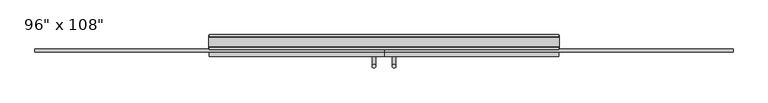
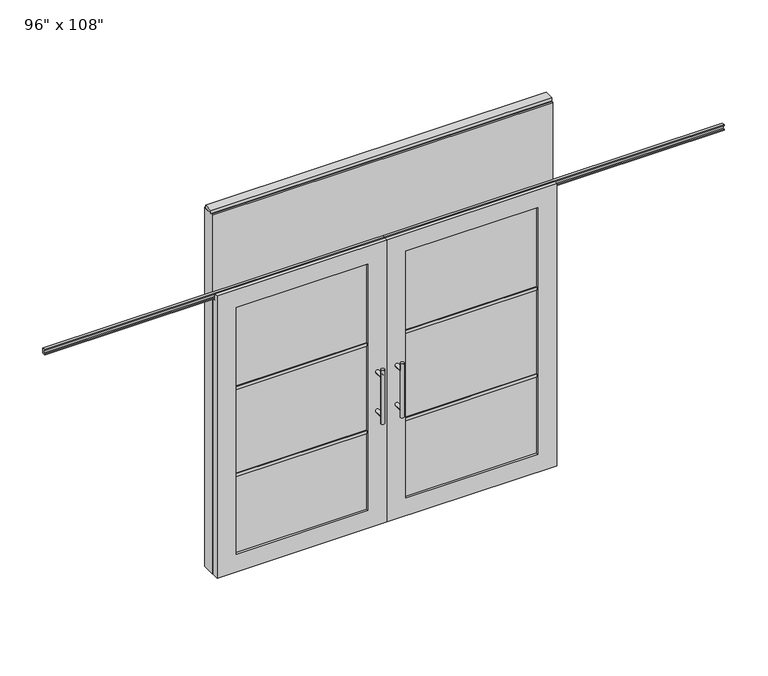
"""IFC4 building model written with IfcOpenShell, lengths in millimetres: furniture geometry."""

from ifc_helpers import new_model, si_unit, frame, origin, origin_with_axes, place, context, project, spatial, polyline, circle_curve, ellipse_curve, outline, extrude, faceted_brep, source, transform, mapped, element, save
from ifc_brep_helpers import plane_surface, cylinder_surface, advanced_brep


def furniture_3af1d5dd(model_context):
    return source(origin(), model_context, "Body", "SolidModel", [
        extrude(outline(polyline([(1155.2264771, 46.2822784), (1155.2264771, 33.5822784), (-1275.2995229, 33.5822784), (-1275.2995229, 46.2822784), (1155.2264771, 46.2822784)])), frame((0.0, 0.0, 2133.6), z_axis=(0.0, 0.0, 1.0), x_axis=(1.0, 0.0, 0.0)), (0.0, 0.0, 1.0), 584.2),
        extrude(outline(polyline([(1155.2264771, -55.3177216), (-1275.2995229, -55.3177216), (-1275.2995229, -42.6177216), (1155.2264771, -42.6177216), (1155.2264771, -55.3177216)])), frame((0.0, 0.0, 2133.6), z_axis=(0.0, 0.0, 1.0), x_axis=(1.0, 0.0, 0.0)), (0.0, 0.0, 1.0), 584.2),
        advanced_brep(
        [(-117.3135229, 5.8962784, 1219.2), (-142.7135229, 5.8962784, 1219.2), (-117.3135229, 5.8962784, 812.8), (-142.7135229, 5.8962784, 812.8), (-117.3135229, 5.8962784, 1164.336), (-117.3135229, 5.8962784, 867.664), (-142.7135229, 5.8962784, 867.664), (-142.7135229, 5.8962784, 1164.336), (-117.3135229, -61.6677216, 1164.336), (-142.7135229, -61.6677216, 1164.336), (-117.3135229, -61.6677216, 867.664), (-142.7135229, -61.6677216, 867.664)],
        [
            (0, 1, circle_curve(frame((-130.0135229, 5.8962784, 1219.2), z_axis=(0.0, 0.0, 1.0), x_axis=(-1.0, 0.0, 0.0)), 12.7)),
            (1, 0, circle_curve(frame((-130.0135229, 5.8962784, 1219.2), z_axis=(0.0, 0.0, 1.0), x_axis=(-1.0, 0.0, 0.0)), 12.7)),
            (2, 3, circle_curve(frame((-130.0135229, 5.8962784, 812.8), z_axis=(0.0, 0.0, -1.0), x_axis=(-1.0, 0.0, 0.0)), 12.7)),
            (3, 2, circle_curve(frame((-130.0135229, 5.8962784, 812.8), z_axis=(0.0, 0.0, -1.0), x_axis=(-1.0, 0.0, 0.0)), 12.7)),
            (0, 4),
            (4, 5),
            (5, 2),
            (3, 6),
            (6, 7),
            (7, 1),
            (7, 4, ellipse_curve(frame((-130.0135229, 5.8962784, 1164.336), z_axis=(0.0, 0.707106781186565, 0.70710678118653), x_axis=(0.0, -0.70710678118653, 0.707106781186565)), 17.9605122, 12.7)),
            (5, 6, ellipse_curve(frame((-130.0135229, 5.8962784, 867.664), z_axis=(0.0, 0.70710678118653, -0.7071067811865649), x_axis=(0.0, 0.7071067811865648, 0.7071067811865301)), 17.9605122, 12.7)),
            (4, 7, ellipse_curve(frame((-130.0135229, 5.8962784, 1164.336), z_axis=(0.0, 0.70710678118653, -0.7071067811865649), x_axis=(0.0, 0.7071067811865648, 0.7071067811865301)), 17.9605122, 12.7)),
            (6, 5, ellipse_curve(frame((-130.0135229, 5.8962784, 867.664), z_axis=(0.0, 0.707106781186565, 0.70710678118653), x_axis=(0.0, -0.70710678118653, 0.707106781186565)), 17.9605122, 12.7)),
            (8, 9, circle_curve(frame((-130.0135229, -61.6677216, 1164.336), z_axis=(0.0, -1.0, 0.0), x_axis=(-1.0, 0.0, 0.0)), 12.7)),
            (9, 8, circle_curve(frame((-130.0135229, -61.6677216, 1164.336), z_axis=(0.0, -1.0, 0.0), x_axis=(-1.0, 0.0, 0.0)), 12.7)),
            (9, 7),
            (4, 8),
            (10, 11, circle_curve(frame((-130.0135229, -61.6677216, 867.664), z_axis=(0.0, -1.0, 0.0), x_axis=(-1.0, 0.0, 0.0)), 12.7)),
            (11, 10, circle_curve(frame((-130.0135229, -61.6677216, 867.664), z_axis=(0.0, -1.0, 0.0), x_axis=(-1.0, 0.0, 0.0)), 12.7)),
            (11, 6),
            (5, 10),
        ],
        [
            plane_surface(frame((-142.7135229, 5.8962784, 1219.2), z_axis=(0.0, 0.0, 1.0), x_axis=(0.0, -1.0, 0.0))),
            plane_surface(frame((-142.7135229, 5.8962784, 812.8), z_axis=(0.0, 0.0, -1.0), x_axis=(0.0, 1.0, 0.0))),
            cylinder_surface(frame((-130.0135229, 5.8962784, 812.8), z_axis=(0.0, 0.0, 1.0), x_axis=(-1.0, 0.0, 0.0)), 12.7),
            plane_surface(frame((-142.7135229, -61.6677216, 1164.336), z_axis=(0.0, -1.0, 0.0), x_axis=(0.0, 0.0, -1.0))),
            cylinder_surface(frame((-130.0135229, -61.6677216, 1164.336), z_axis=(0.0, 1.0, 0.0), x_axis=(-1.0, 0.0, 0.0)), 12.7),
            plane_surface(frame((-142.7135229, -61.6677216, 867.664), z_axis=(0.0, -1.0, 0.0), x_axis=(0.0, 0.0, -1.0))),
            cylinder_surface(frame((-130.0135229, -61.6677216, 867.664), z_axis=(0.0, 1.0, 0.0), x_axis=(-1.0, 0.0, 0.0)), 12.7),
        ],
        [
            (0, [[1, 2]]),
            (1, [[3, 4]]),
            (2, [[-1, 5, 6, 7, -4, 8, 9, 10]]),
            (2, [[-2, -10, 11, -5]]),
            (2, [[-3, -7, 12, -8]]),
            (2, [[13, -9, 14, -6]]),
            (3, [[15, 16]]),
            (4, [[-16, 17, -13, 18]]),
            (4, [[-15, -18, -11, -17]]),
            (5, [[19, 20]]),
            (6, [[-20, 21, -12, 22]]),
            (6, [[-19, -22, -14, -21]]),
        ],
    ),
        advanced_brep(
        [(-117.3135229, -173.6817216, 1219.2), (-142.7135229, -173.6817216, 1219.2), (-117.3135229, -173.6817216, 812.8), (-142.7135229, -173.6817216, 812.8), (-142.7135229, -173.6817216, 1164.336), (-142.7135229, -173.6817216, 867.664), (-117.3135229, -173.6817216, 867.664), (-117.3135229, -173.6817216, 1164.336), (-117.3135229, -106.1177216, 1164.336), (-142.7135229, -106.1177216, 1164.336), (-117.3135229, -106.1177216, 867.664), (-142.7135229, -106.1177216, 867.664)],
        [
            (0, 1, circle_curve(frame((-130.0135229, -173.6817216, 1219.2), z_axis=(0.0, 0.0, 1.0), x_axis=(-1.0, 0.0, 0.0)), 12.7)),
            (1, 0, circle_curve(frame((-130.0135229, -173.6817216, 1219.2), z_axis=(0.0, 0.0, 1.0), x_axis=(-1.0, 0.0, 0.0)), 12.7)),
            (2, 3, circle_curve(frame((-130.0135229, -173.6817216, 812.8), z_axis=(0.0, 0.0, -1.0), x_axis=(-1.0, 0.0, 0.0)), 12.7)),
            (3, 2, circle_curve(frame((-130.0135229, -173.6817216, 812.8), z_axis=(0.0, 0.0, -1.0), x_axis=(-1.0, 0.0, 0.0)), 12.7)),
            (1, 4),
            (4, 5),
            (5, 3),
            (2, 6),
            (6, 7),
            (7, 0),
            (6, 5, ellipse_curve(frame((-130.0135229, -173.6817216, 867.664), z_axis=(0.0, -0.707106781186565, 0.70710678118653), x_axis=(0.0, 0.70710678118653, 0.707106781186565)), 17.9605122, 12.7)),
            (4, 7, ellipse_curve(frame((-130.0135229, -173.6817216, 1164.336), z_axis=(0.0, -0.70710678118653, -0.7071067811865649), x_axis=(0.0, -0.7071067811865648, 0.7071067811865301)), 17.9605122, 12.7)),
            (7, 4, ellipse_curve(frame((-130.0135229, -173.6817216, 1164.336), z_axis=(0.0, -0.707106781186565, 0.70710678118653), x_axis=(0.0, 0.70710678118653, 0.707106781186565)), 17.9605122, 12.7)),
            (5, 6, ellipse_curve(frame((-130.0135229, -173.6817216, 867.664), z_axis=(0.0, -0.70710678118653, -0.7071067811865649), x_axis=(0.0, -0.7071067811865648, 0.7071067811865301)), 17.9605122, 12.7)),
            (8, 9, circle_curve(frame((-130.0135229, -106.1177216, 1164.336), z_axis=(0.0, 1.0, 0.0), x_axis=(-1.0, 0.0, 0.0)), 12.7)),
            (9, 8, circle_curve(frame((-130.0135229, -106.1177216, 1164.336), z_axis=(0.0, 1.0, 0.0), x_axis=(-1.0, 0.0, 0.0)), 12.7)),
            (8, 7),
            (4, 9),
            (10, 11, circle_curve(frame((-130.0135229, -106.1177216, 867.664), z_axis=(0.0, 1.0, 0.0), x_axis=(-1.0, 0.0, 0.0)), 12.7)),
            (11, 10, circle_curve(frame((-130.0135229, -106.1177216, 867.664), z_axis=(0.0, 1.0, 0.0), x_axis=(-1.0, 0.0, 0.0)), 12.7)),
            (10, 6),
            (5, 11),
        ],
        [
            plane_surface(frame((-142.7135229, -173.6817216, 1219.2), z_axis=(0.0, 0.0, 1.0), x_axis=(0.0, 1.0, 0.0))),
            plane_surface(frame((-142.7135229, -173.6817216, 812.8), z_axis=(0.0, 0.0, -1.0), x_axis=(0.0, -1.0, 0.0))),
            cylinder_surface(frame((-130.0135229, -173.6817216, 812.8), z_axis=(0.0, 0.0, 1.0), x_axis=(-1.0, 0.0, 0.0)), 12.7),
            plane_surface(frame((-142.7135229, -106.1177216, 1164.336), z_axis=(0.0, 1.0, 0.0), x_axis=(0.0, 0.0, -1.0))),
            cylinder_surface(frame((-130.0135229, -106.1177216, 1164.336), z_axis=(0.0, -1.0, 0.0), x_axis=(-1.0, 0.0, 0.0)), 12.7),
            plane_surface(frame((-142.7135229, -106.1177216, 867.664), z_axis=(0.0, 1.0, 0.0), x_axis=(0.0, 0.0, -1.0))),
            cylinder_surface(frame((-130.0135229, -106.1177216, 867.664), z_axis=(0.0, -1.0, 0.0), x_axis=(-1.0, 0.0, 0.0)), 12.7),
        ],
        [
            (0, [[1, 2]]),
            (1, [[3, 4]]),
            (2, [[5, 6, 7, -3, 8, 9, 10, -2]]),
            (2, [[-9, 11, -6, 12]]),
            (2, [[-10, 13, -5, -1]]),
            (2, [[-7, 14, -8, -4]]),
            (3, [[15, 16]]),
            (4, [[17, -12, 18, -15]]),
            (4, [[-18, -13, -17, -16]]),
            (5, [[19, 20]]),
            (6, [[21, -14, 22, -19]]),
            (6, [[-22, -11, -21, -20]]),
        ],
    ),
        extrude(outline(polyline([(-196.0535229, -95.0052216), (-1139.2825229, -95.0052216), (-1139.2825229, -72.7802216), (-196.0535229, -72.7802216), (-196.0535229, -95.0052216)])), frame((0.0, 0.0, 1371.6), z_axis=(0.0, 0.0, 1.0), x_axis=(1.0, 0.0, 0.0)), (0.0, 0.0, 1.0), 22.225),
        extrude(outline(polyline([(-196.0535229, -95.0052216), (-1139.2825229, -95.0052216), (-1139.2825229, -72.7802216), (-196.0535229, -72.7802216), (-196.0535229, -95.0052216)])), frame((0.0, 0.0, 711.2), z_axis=(0.0, 0.0, 1.0), x_axis=(1.0, 0.0, 0.0)), (0.0, 0.0, 1.0), 22.225),
        extrude(outline(polyline([(-1139.2825229, -88.9727216), (-1139.2825229, -78.8127216), (-196.0535229, -78.8127216), (-196.0535229, -88.9727216), (-1139.2825229, -88.9727216)])), frame((0.0, 0.0, 132.969), z_axis=(0.0, 0.0, 1.0), x_axis=(1.0, 0.0, 0.0)), (0.0, 0.0, 1.0), 1867.662),
        extrude(outline(polyline([(-75.3837216, 2097.278), (-75.3837216, 2102.612), (-62.6837216, 2102.612), (-62.6837216, 2131.568), (-75.3837216, 2131.568), (-75.3837216, 2136.902), (-53.6667216, 2136.902), (-53.6667216, 2097.278), (-75.3837216, 2097.278)])), frame((-2490.5625229, 0.0, 0.0), z_axis=(1.0, 0.0, 0.0), x_axis=(0.0, 1.0, 0.0)), (0.0, 0.0, 1.0), 2430.526),
        faceted_brep([(-60.0365229, -106.1177216, 0.0), (-60.0365229, -106.1177216, 2133.6), (-1275.2995229, -106.1177216, 2133.6), (-1275.2995229, -106.1177216, 0.0), (-1139.2825229, -106.1177216, 2000.631), (-196.0535229, -106.1177216, 2000.631), (-196.0535229, -106.1177216, 132.969), (-1139.2825229, -106.1177216, 132.969), (-60.0365229, -78.6857216, 2133.6), (-60.0365229, -78.6857216, 2089.023), (-1275.2995229, -78.6857216, 2089.023), (-1275.2995229, -78.6857216, 2133.6), (-60.0365229, -61.6677216, 0.0), (-60.0365229, -61.6677216, 2089.023), (-1275.2995229, -61.6677216, 2089.023), (-1275.2995229, -61.6677216, 0.0), (-1139.2825229, -61.6677216, 2000.631), (-1139.2825229, -61.6677216, 132.969), (-196.0535229, -61.6677216, 132.969), (-196.0535229, -61.6677216, 2000.631)], [[[0, 1, 2, 3], [4, 5, 6, 7]], [[8, 9, 10, 11]], [[0, 12, 13, 9, 8, 1]], [[2, 11, 10, 14, 15, 3]], [[1, 8, 11, 2]], [[14, 13, 12, 15], [16, 17, 18, 19]], [[14, 10, 9, 13]], [[3, 15, 12, 0]], [[7, 17, 16, 4]], [[6, 18, 17, 7]], [[5, 19, 18, 6]], [[4, 16, 19, 5]]]),
        advanced_brep(
        [(-2.7595229, 5.8962784, 1219.2), (22.6404771, 5.8962784, 1219.2), (-2.7595229, 5.8962784, 812.8), (22.6404771, 5.8962784, 812.8), (22.6404771, 5.8962784, 1164.336), (22.6404771, 5.8962784, 867.664), (-2.7595229, 5.8962784, 867.664), (-2.7595229, 5.8962784, 1164.336), (-2.7595229, -61.6677216, 1164.336), (22.6404771, -61.6677216, 1164.336), (-2.7595229, -61.6677216, 867.664), (22.6404771, -61.6677216, 867.664)],
        [
            (0, 1, circle_curve(frame((9.9404771, 5.8962784, 1219.2), z_axis=(0.0, 0.0, 1.0), x_axis=(1.0, 0.0, 0.0)), 12.7)),
            (1, 0, circle_curve(frame((9.9404771, 5.8962784, 1219.2), z_axis=(0.0, 0.0, 1.0), x_axis=(1.0, 0.0, 0.0)), 12.7)),
            (2, 3, circle_curve(frame((9.9404771, 5.8962784, 812.8), z_axis=(0.0, 0.0, -1.0), x_axis=(1.0, 0.0, 0.0)), 12.7)),
            (3, 2, circle_curve(frame((9.9404771, 5.8962784, 812.8), z_axis=(0.0, 0.0, -1.0), x_axis=(1.0, 0.0, 0.0)), 12.7)),
            (1, 4),
            (4, 5),
            (5, 3),
            (2, 6),
            (6, 7),
            (7, 0),
            (6, 5, ellipse_curve(frame((9.9404771, 5.8962784, 867.664), z_axis=(0.0, 0.707106781186565, 0.70710678118653), x_axis=(0.0, -0.70710678118653, 0.707106781186565)), 17.9605122, 12.7)),
            (4, 7, ellipse_curve(frame((9.9404771, 5.8962784, 1164.336), z_axis=(0.0, 0.70710678118653, -0.7071067811865649), x_axis=(0.0, 0.7071067811865648, 0.7071067811865301)), 17.9605122, 12.7)),
            (7, 4, ellipse_curve(frame((9.9404771, 5.8962784, 1164.336), z_axis=(0.0, 0.707106781186565, 0.70710678118653), x_axis=(0.0, -0.70710678118653, 0.707106781186565)), 17.9605122, 12.7)),
            (5, 6, ellipse_curve(frame((9.9404771, 5.8962784, 867.664), z_axis=(0.0, 0.70710678118653, -0.7071067811865649), x_axis=(0.0, 0.7071067811865648, 0.7071067811865301)), 17.9605122, 12.7)),
            (8, 9, circle_curve(frame((9.9404771, -61.6677216, 1164.336), z_axis=(0.0, -1.0, 0.0), x_axis=(1.0, 0.0, 0.0)), 12.7)),
            (9, 8, circle_curve(frame((9.9404771, -61.6677216, 1164.336), z_axis=(0.0, -1.0, 0.0), x_axis=(1.0, 0.0, 0.0)), 12.7)),
            (8, 7),
            (4, 9),
            (10, 11, circle_curve(frame((9.9404771, -61.6677216, 867.664), z_axis=(0.0, -1.0, 0.0), x_axis=(1.0, 0.0, 0.0)), 12.7)),
            (11, 10, circle_curve(frame((9.9404771, -61.6677216, 867.664), z_axis=(0.0, -1.0, 0.0), x_axis=(1.0, 0.0, 0.0)), 12.7)),
            (10, 6),
            (5, 11),
        ],
        [
            plane_surface(frame((22.6404771, 5.8962784, 1219.2), z_axis=(0.0, 0.0, 1.0), x_axis=(0.0, -1.0, 0.0))),
            plane_surface(frame((22.6404771, 5.8962784, 812.8), z_axis=(0.0, 0.0, -1.0), x_axis=(0.0, 1.0, 0.0))),
            cylinder_surface(frame((9.9404771, 5.8962784, 812.8), z_axis=(0.0, 0.0, 1.0), x_axis=(1.0, 0.0, 0.0)), 12.7),
            plane_surface(frame((22.6404771, -61.6677216, 1164.336), z_axis=(0.0, -1.0, 0.0), x_axis=(0.0, 0.0, -1.0))),
            cylinder_surface(frame((9.9404771, -61.6677216, 1164.336), z_axis=(0.0, 1.0, 0.0), x_axis=(1.0, 0.0, 0.0)), 12.7),
            plane_surface(frame((22.6404771, -61.6677216, 867.664), z_axis=(0.0, -1.0, 0.0), x_axis=(0.0, 0.0, -1.0))),
            cylinder_surface(frame((9.9404771, -61.6677216, 867.664), z_axis=(0.0, 1.0, 0.0), x_axis=(1.0, 0.0, 0.0)), 12.7),
        ],
        [
            (0, [[1, 2]]),
            (1, [[3, 4]]),
            (2, [[5, 6, 7, -3, 8, 9, 10, -2]]),
            (2, [[-9, 11, -6, 12]]),
            (2, [[-10, 13, -5, -1]]),
            (2, [[-7, 14, -8, -4]]),
            (3, [[15, 16]]),
            (4, [[17, -12, 18, -15]]),
            (4, [[-18, -13, -17, -16]]),
            (5, [[19, 20]]),
            (6, [[21, -14, 22, -19]]),
            (6, [[-22, -11, -21, -20]]),
        ],
    ),
        advanced_brep(
        [(-2.7595229, -173.6817216, 1219.2), (22.6404771, -173.6817216, 1219.2), (-2.7595229, -173.6817216, 812.8), (22.6404771, -173.6817216, 812.8), (-2.7595229, -173.6817216, 1164.336), (-2.7595229, -173.6817216, 867.664), (22.6404771, -173.6817216, 867.664), (22.6404771, -173.6817216, 1164.336), (-2.7595229, -106.1177216, 1164.336), (22.6404771, -106.1177216, 1164.336), (-2.7595229, -106.1177216, 867.664), (22.6404771, -106.1177216, 867.664)],
        [
            (0, 1, circle_curve(frame((9.9404771, -173.6817216, 1219.2), z_axis=(0.0, 0.0, 1.0), x_axis=(1.0, 0.0, 0.0)), 12.7)),
            (1, 0, circle_curve(frame((9.9404771, -173.6817216, 1219.2), z_axis=(0.0, 0.0, 1.0), x_axis=(1.0, 0.0, 0.0)), 12.7)),
            (2, 3, circle_curve(frame((9.9404771, -173.6817216, 812.8), z_axis=(0.0, 0.0, -1.0), x_axis=(1.0, 0.0, 0.0)), 12.7)),
            (3, 2, circle_curve(frame((9.9404771, -173.6817216, 812.8), z_axis=(0.0, 0.0, -1.0), x_axis=(1.0, 0.0, 0.0)), 12.7)),
            (0, 4),
            (4, 5),
            (5, 2),
            (3, 6),
            (6, 7),
            (7, 1),
            (7, 4, ellipse_curve(frame((9.9404771, -173.6817216, 1164.336), z_axis=(0.0, -0.707106781186565, 0.70710678118653), x_axis=(0.0, 0.70710678118653, 0.707106781186565)), 17.9605122, 12.7)),
            (5, 6, ellipse_curve(frame((9.9404771, -173.6817216, 867.664), z_axis=(0.0, -0.70710678118653, -0.7071067811865649), x_axis=(0.0, -0.7071067811865648, 0.7071067811865301)), 17.9605122, 12.7)),
            (4, 7, ellipse_curve(frame((9.9404771, -173.6817216, 1164.336), z_axis=(0.0, -0.70710678118653, -0.7071067811865649), x_axis=(0.0, -0.7071067811865648, 0.7071067811865301)), 17.9605122, 12.7)),
            (6, 5, ellipse_curve(frame((9.9404771, -173.6817216, 867.664), z_axis=(0.0, -0.707106781186565, 0.70710678118653), x_axis=(0.0, 0.70710678118653, 0.707106781186565)), 17.9605122, 12.7)),
            (8, 9, circle_curve(frame((9.9404771, -106.1177216, 1164.336), z_axis=(0.0, 1.0, 0.0), x_axis=(1.0, 0.0, 0.0)), 12.7)),
            (9, 8, circle_curve(frame((9.9404771, -106.1177216, 1164.336), z_axis=(0.0, 1.0, 0.0), x_axis=(1.0, 0.0, 0.0)), 12.7)),
            (9, 7),
            (4, 8),
            (10, 11, circle_curve(frame((9.9404771, -106.1177216, 867.664), z_axis=(0.0, 1.0, 0.0), x_axis=(1.0, 0.0, 0.0)), 12.7)),
            (11, 10, circle_curve(frame((9.9404771, -106.1177216, 867.664), z_axis=(0.0, 1.0, 0.0), x_axis=(1.0, 0.0, 0.0)), 12.7)),
            (11, 6),
            (5, 10),
        ],
        [
            plane_surface(frame((22.6404771, -173.6817216, 1219.2), z_axis=(0.0, 0.0, 1.0), x_axis=(0.0, 1.0, 0.0))),
            plane_surface(frame((22.6404771, -173.6817216, 812.8), z_axis=(0.0, 0.0, -1.0), x_axis=(0.0, -1.0, 0.0))),
            cylinder_surface(frame((9.9404771, -173.6817216, 812.8), z_axis=(0.0, 0.0, 1.0), x_axis=(1.0, 0.0, 0.0)), 12.7),
            plane_surface(frame((22.6404771, -106.1177216, 1164.336), z_axis=(0.0, 1.0, 0.0), x_axis=(0.0, 0.0, -1.0))),
            cylinder_surface(frame((9.9404771, -106.1177216, 1164.336), z_axis=(0.0, -1.0, 0.0), x_axis=(1.0, 0.0, 0.0)), 12.7),
            plane_surface(frame((22.6404771, -106.1177216, 867.664), z_axis=(0.0, 1.0, 0.0), x_axis=(0.0, 0.0, -1.0))),
            cylinder_surface(frame((9.9404771, -106.1177216, 867.664), z_axis=(0.0, -1.0, 0.0), x_axis=(1.0, 0.0, 0.0)), 12.7),
        ],
        [
            (0, [[1, 2]]),
            (1, [[3, 4]]),
            (2, [[-1, 5, 6, 7, -4, 8, 9, 10]]),
            (2, [[-2, -10, 11, -5]]),
            (2, [[-3, -7, 12, -8]]),
            (2, [[13, -9, 14, -6]]),
            (3, [[15, 16]]),
            (4, [[-16, 17, -13, 18]]),
            (4, [[-15, -18, -11, -17]]),
            (5, [[19, 20]]),
            (6, [[-20, 21, -12, 22]]),
            (6, [[-19, -22, -14, -21]]),
        ],
    ),
        extrude(outline(polyline([(75.9804771, -95.0052216), (75.9804771, -72.7802216), (1019.2094771, -72.7802216), (1019.2094771, -95.0052216), (75.9804771, -95.0052216)])), frame((0.0, 0.0, 1371.6), z_axis=(0.0, 0.0, 1.0), x_axis=(1.0, 0.0, 0.0)), (0.0, 0.0, 1.0), 22.225),
        extrude(outline(polyline([(75.9804771, -95.0052216), (75.9804771, -72.7802216), (1019.2094771, -72.7802216), (1019.2094771, -95.0052216), (75.9804771, -95.0052216)])), frame((0.0, 0.0, 711.2), z_axis=(0.0, 0.0, 1.0), x_axis=(1.0, 0.0, 0.0)), (0.0, 0.0, 1.0), 22.225),
        extrude(outline(polyline([(1019.2094771, -88.9727216), (75.9804771, -88.9727216), (75.9804771, -78.8127216), (1019.2094771, -78.8127216), (1019.2094771, -88.9727216)])), frame((0.0, 0.0, 132.969), z_axis=(0.0, 0.0, 1.0), x_axis=(1.0, 0.0, 0.0)), (0.0, 0.0, 1.0), 1867.662),
        extrude(outline(polyline([(-75.3837216, 2097.278), (-75.3837216, 2102.612), (-62.6837216, 2102.612), (-62.6837216, 2131.568), (-75.3837216, 2131.568), (-75.3837216, 2136.902), (-53.6667216, 2136.902), (-53.6667216, 2097.278), (-75.3837216, 2097.278)])), frame((-60.0365229, 0.0, 0.0), z_axis=(1.0, 0.0, 0.0), x_axis=(0.0, 1.0, 0.0)), (0.0, 0.0, 1.0), 2430.526),
        faceted_brep([(-60.0365229, -106.1177216, 0.0), (1155.2264771, -106.1177216, 0.0), (1155.2264771, -106.1177216, 2133.6), (-60.0365229, -106.1177216, 2133.6), (1019.2094771, -106.1177216, 2000.631), (1019.2094771, -106.1177216, 132.969), (75.9804771, -106.1177216, 132.969), (75.9804771, -106.1177216, 2000.631), (-60.0365229, -78.6857216, 2133.6), (1155.2264771, -78.6857216, 2133.6), (1155.2264771, -78.6857216, 2089.023), (-60.0365229, -78.6857216, 2089.023), (-60.0365229, -61.6677216, 2089.023), (-60.0365229, -61.6677216, 0.0), (1155.2264771, -61.6677216, 0.0), (1155.2264771, -61.6677216, 2089.023), (1019.2094771, -61.6677216, 2000.631), (75.9804771, -61.6677216, 2000.631), (75.9804771, -61.6677216, 132.969), (1019.2094771, -61.6677216, 132.969)], [[[0, 1, 2, 3], [4, 5, 6, 7]], [[8, 9, 10, 11]], [[0, 3, 8, 11, 12, 13]], [[2, 1, 14, 15, 10, 9]], [[3, 2, 9, 8]], [[15, 14, 13, 12], [16, 17, 18, 19]], [[15, 12, 11, 10]], [[1, 0, 13, 14]], [[5, 4, 16, 19]], [[6, 5, 19, 18]], [[7, 6, 18, 17]], [[4, 7, 17, 16]]]),
        extrude(outline(polyline([(-42.6177216, 2681.478), (-42.6177216, 2717.8), (33.5822784, 2717.8), (33.5822784, 2681.478), (28.6292784, 2681.478), (28.6292784, 2676.525), (-37.6647216, 2676.525), (-37.6647216, 2681.478), (-42.6177216, 2681.478)])), frame((-1275.2995229, 0.0, 0.0), z_axis=(1.0, 0.0, 0.0), x_axis=(0.0, 1.0, 0.0)), (0.0, 0.0, 1.0), 2430.526),
        extrude(outline(polyline([(-1275.2995229, -55.3177216), (-1275.2995229, 46.2822784), (1155.2264771, 46.2822784), (1155.2264771, -55.3177216), (-1275.2995229, -55.3177216)])), frame((0.0, 0.0, 2070.1), z_axis=(0.0, 0.0, 1.0), x_axis=(1.0, 0.0, 0.0)), (0.0, 0.0, 1.0), 22.225),
        extrude(outline(polyline([(-55.3177216, 2097.278), (-55.3177216, 2133.6), (46.2822784, 2133.6), (46.2822784, 2097.278), (41.3292784, 2097.278), (41.3292784, 2092.325), (-50.3647216, 2092.325), (-50.3647216, 2097.278), (-55.3177216, 2097.278)])), frame((-1275.2995229, 0.0, 0.0), z_axis=(1.0, 0.0, 0.0), x_axis=(0.0, 1.0, 0.0)), (0.0, 0.0, 1.0), 2430.526),
        extrude(outline(polyline([(1159.1634771, -50.3647216), (1155.2264771, -50.3647216), (1155.2264771, 41.3292784), (1159.1634771, 41.3292784), (1159.1634771, -50.3647216)])), origin_with_axes(), (0.0, 0.0, 1.0), 2717.8),
        extrude(outline(polyline([(-1279.2365229, -50.3647216), (-1279.2365229, 41.3292784), (-1275.2995229, 41.3292784), (-1275.2995229, -50.3647216), (-1279.2365229, -50.3647216)])), origin_with_axes(), (0.0, 0.0, 1.0), 2717.8),
        extrude(outline(polyline([(1133.0014771, -55.3177216), (1133.0014771, 46.2822784), (1155.2264771, 46.2822784), (1155.2264771, -55.3177216), (1133.0014771, -55.3177216)])), origin_with_axes(), (0.0, 0.0, 1.0), 2070.1),
        extrude(outline(polyline([(-1253.0745229, -55.3177216), (-1275.2995229, -55.3177216), (-1275.2995229, 46.2822784), (-1253.0745229, 46.2822784), (-1253.0745229, -55.3177216)])), origin_with_axes(), (0.0, 0.0, 1.0), 2070.1),
        extrude(outline(polyline([(-1279.2365229, -37.0297216), (-1279.2365229, 27.9942784), (1159.1634771, 27.9942784), (1159.1634771, -37.0297216), (-1279.2365229, -37.0297216)])), frame((0.0, 0.0, 2717.8), z_axis=(0.0, 0.0, 1.0), x_axis=(1.0, 0.0, 0.0)), (0.0, 0.0, 1.0), 25.4),
    ])


if __name__ == "__main__":
    model = new_model("IFC4")
    model_context = context("Model", 3, world=origin())
    ifc_project = project(units=[si_unit("LENGTHUNIT", "METRE", prefix="MILLI")], contexts=[model_context])
    site = spatial("IfcSite", under=ifc_project)
    building = spatial("IfcBuilding", under=site)
    placement = place(None, origin())
    furniture_shape = furniture_3af1d5dd(model_context)
    element("IfcFurniture", 1, ObjectType="96\" x 108\"", at=placement, inside=building, context=model_context, shape_type="MappedRepresentation", body=[
        mapped(furniture_shape, transform((0.0, 0.0, 0.0), x_axis=(1.0, 0.0, 0.0), y_axis=(0.0, 1.0, 0.0), z_axis=(0.0, 0.0, 1.0))),
    ])
    save(model, "model.ifc")
